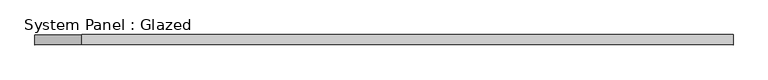
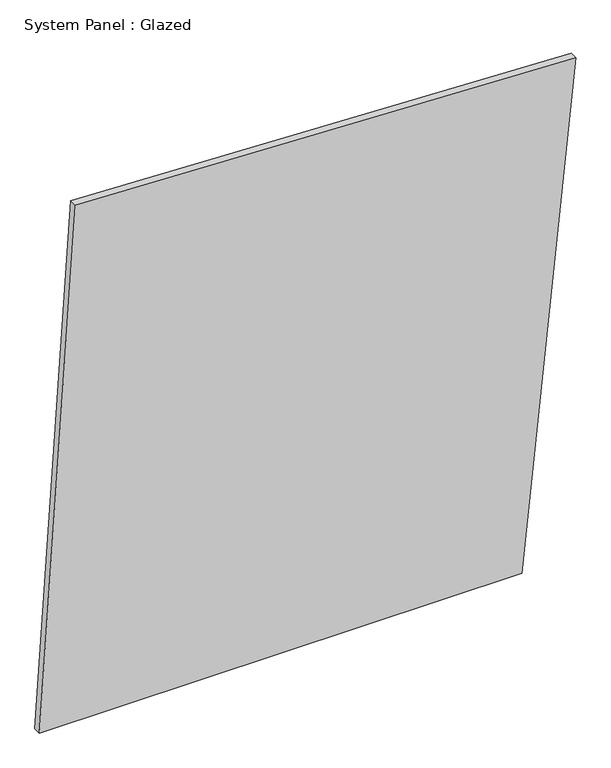
"""IFC4 building model written with IfcOpenShell, lengths in millimetres: plate geometry, System Panel : Glazed."""

from ifc_helpers import new_model, si_unit, frame, origin, place, context, project, spatial, polyline, outline, extrude, source, transform, mapped, element, save


def system_panel_glazed_13185b5a(model_context):
    return source(origin(), model_context, "Body", "SweptSolid", [
        extrude(outline(polyline([(0.0, -865.2001928), (0.0, 691.3506119), (1694.7563091, 865.2001928), (1758.0625884, -749.0065588), (0.0, -865.2001928)])), frame((0.0, 24.5, 0.0), z_axis=(0.0, 1.0, 0.0), x_axis=(0.0, 0.0, 1.0)), (0.0, 0.0, 1.0), 25.0),
    ])


if __name__ == "__main__":
    model = new_model("IFC4")
    model_context = context("Model", 3, world=origin())
    ifc_project = project(units=[si_unit("LENGTHUNIT", "METRE", prefix="MILLI")], contexts=[model_context])
    site = spatial("IfcSite", under=ifc_project)
    building = spatial("IfcBuilding", under=site)
    placement = place(None, origin())
    system_panel_glazed_shape = system_panel_glazed_13185b5a(model_context)
    element("IfcPlate", 1, ObjectType="System Panel : Glazed", at=placement, inside=building, context=model_context, shape_type="MappedRepresentation", body=[
        mapped(system_panel_glazed_shape, transform((0.0, 0.0, 0.0), x_axis=(1.0, 0.0, 0.0), y_axis=(0.0, 1.0, 0.0), z_axis=(0.0, 0.0, 1.0))),
    ])
    save(model, "model.ifc")
